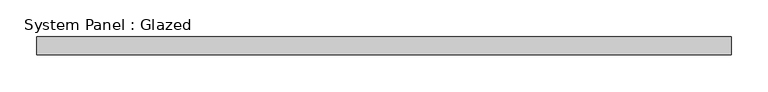
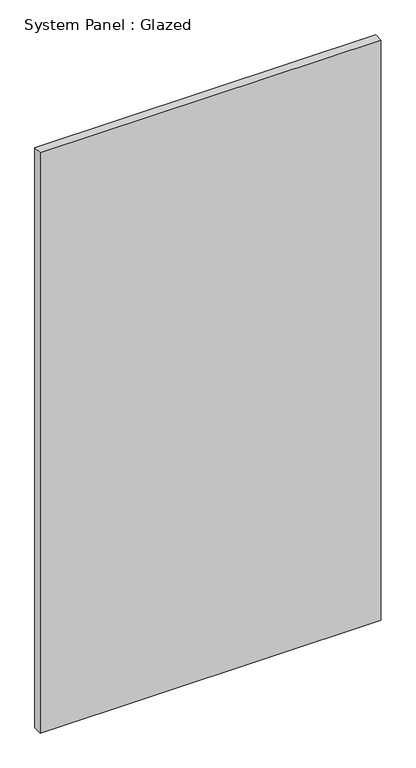
"""IFC4 building model written with IfcOpenShell, lengths in millimetres: plate geometry, System Panel : Glazed."""

from ifc_helpers import new_model, si_unit, origin, origin_with_axes, place, context, project, spatial, polyline, outline, extrude, source, transform, mapped, element, save


def system_panel_glazed_2e612590(model_context):
    return source(origin(), model_context, "Body", "SweptSolid", [
        extrude(outline(polyline([(475.0, 24.5), (-475.0, 24.5), (-475.0, 49.5), (475.0, 49.5), (475.0, 24.5)])), origin_with_axes(), (0.0, 0.0, 1.0), 1710.0115453),
    ])


if __name__ == "__main__":
    model = new_model("IFC4")
    model_context = context("Model", 3, world=origin())
    ifc_project = project(units=[si_unit("LENGTHUNIT", "METRE", prefix="MILLI")], contexts=[model_context])
    site = spatial("IfcSite", under=ifc_project)
    building = spatial("IfcBuilding", under=site)
    placement = place(None, origin())
    system_panel_glazed_shape = system_panel_glazed_2e612590(model_context)
    element("IfcPlate", 1, ObjectType="System Panel : Glazed", at=placement, inside=building, context=model_context, shape_type="MappedRepresentation", body=[
        mapped(system_panel_glazed_shape, transform((0.0, 0.0, 0.0), x_axis=(1.0, 0.0, 0.0), y_axis=(0.0, 1.0, 0.0), z_axis=(0.0, 0.0, 1.0))),
    ])
    save(model, "model.ifc")
